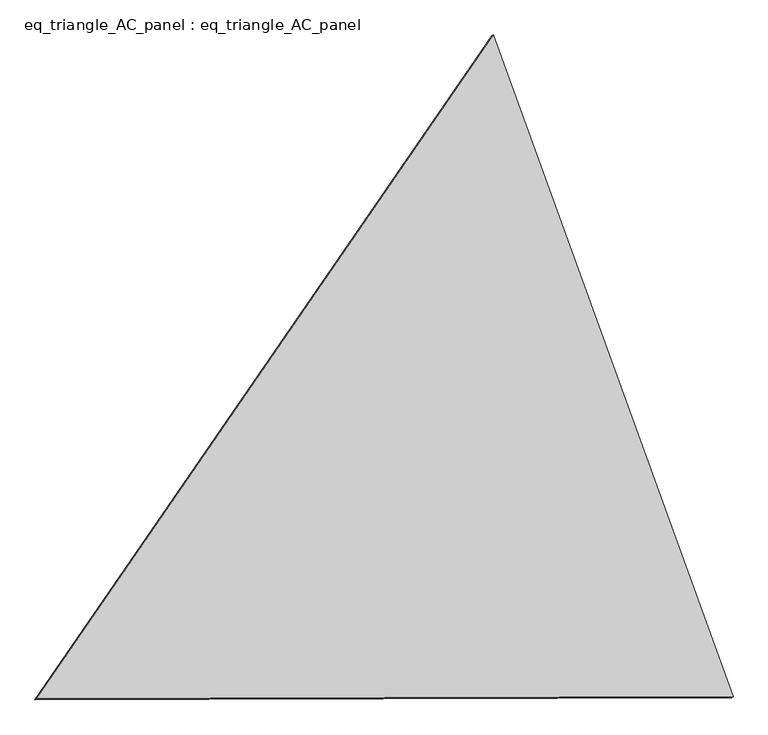
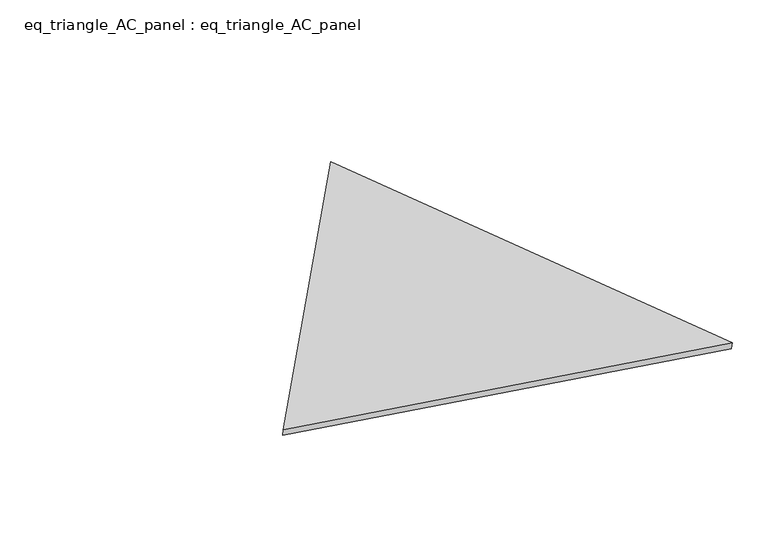
"""IFC4 building model written with IfcOpenShell, lengths in millimetres: proxy geometry, eq_triangle_AC_panel : eq_triangle_AC_panel."""

from ifc_helpers import new_model, si_unit, frame, origin, place, context, project, spatial, polyline, outline, extrude, source, transform, mapped, element, save


def eq_triangle_ac_panel_eq_triangle_ac_panel_8219bb2a(model_context):
    return source(origin(), model_context, "Body", "SweptSolid", [
        extrude(outline(polyline([(-1940.6074492, 1096.9651744), (1545.547439, 1096.9651744), (395.06001, -2193.9303488), (-1940.6074492, 1096.9651744)])), frame((0.0038051, 527.9290861, 89.8240019), z_axis=(0.1452632851805821, 0.08386570281802144, 0.9858321976225896), x_axis=(0.34078675976819817, -0.9396706342626144, 0.029723449853413887)), (0.0, 0.0, 1.0), 43.8306294),
    ])


if __name__ == "__main__":
    model = new_model("IFC4")
    model_context = context("Model", 3, world=origin())
    ifc_project = project(units=[si_unit("LENGTHUNIT", "METRE", prefix="MILLI")], contexts=[model_context])
    site = spatial("IfcSite", under=ifc_project)
    building = spatial("IfcBuilding", under=site)
    placement = place(None, origin())
    eq_triangle_ac_panel_eq_triangle_ac_panel_shape = eq_triangle_ac_panel_eq_triangle_ac_panel_8219bb2a(model_context)
    element("IfcBuildingElementProxy", 1, Name="eq_triangle_AC_panel : eq_triangle_AC_panel", ObjectType="eq_triangle_AC_panel : eq_triangle_AC_panel", at=placement, inside=building, context=model_context, shape_type="MappedRepresentation", body=[
        mapped(eq_triangle_ac_panel_eq_triangle_ac_panel_shape, transform((0.0, 0.0, 0.0), x_axis=(1.0, 0.0, 0.0), y_axis=(0.0, 1.0, 0.0), z_axis=(0.0, 0.0, 1.0))),
    ])
    save(model, "model.ifc")
